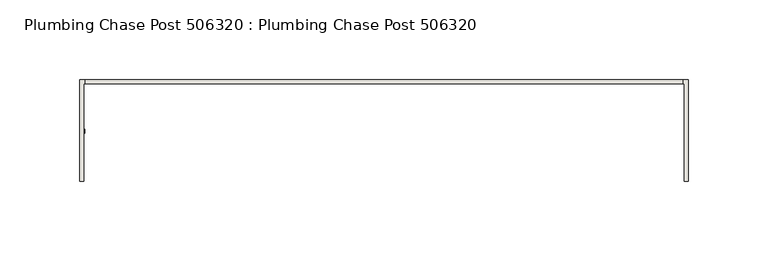
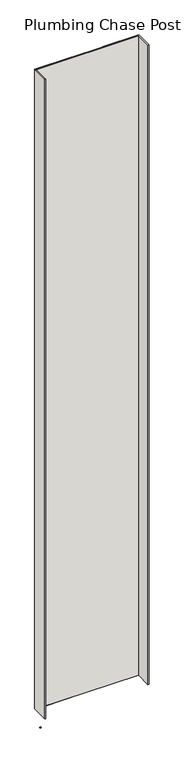
"""IFC4 building model written with IfcOpenShell, lengths in millimetres: wall geometry, Plumbing Chase Post 506320 : Plumbing Chase Post 506320."""

import ifcopenshell
import ifcopenshell.guid

model = None  # the IFC model being written
_history = None  # IfcOwnerHistory: only IFC2X3 demands one
_inside = {}  # id of a spatial element -> (the spatial element, [elements in it])
_under = {}  # id of a project, library or spatial element -> (it, [spatial elements below it])
_declared = {}  # id of a project -> (the project, [libraries it declares])
_typed = {}  # id of a type object -> (the type object, [elements of that type])
_made_of = {}  # id of a material, layer set ... -> (it, [elements and type objects made of it])


def new_model(schema):
    """Start an empty IFC model of exactly this schema.

    Asked for "IFC4X3", IfcOpenShell would pick the latest addendum, in which some entities
    have other attributes; the version numbers below select the first issue.
    IFC2X3 requires an IfcOwnerHistory on every rooted entity: one is made here for all.
    """
    global model, _history
    if schema == "IFC4X3":
        model = ifcopenshell.file(schema_version=(4, 3, 0, 0))
    else:
        model = ifcopenshell.file(schema=schema)
    _inside.clear()
    _under.clear()
    _declared.clear()
    _typed.clear()
    _made_of.clear()
    _history = None
    if model.schema == "IFC2X3":
        org = make("IfcOrganization", Name="unknown")
        user = make(
            "IfcPersonAndOrganization",
            ThePerson=make("IfcPerson", FamilyName="unknown"),
            TheOrganization=org,
        )
        app = make(
            "IfcApplication",
            ApplicationDeveloper=org,
            Version="unknown",
            ApplicationFullName="unknown",
            ApplicationIdentifier="unknown",
        )
        _history = make(
            "IfcOwnerHistory",
            OwningUser=user,
            OwningApplication=app,
            ChangeAction="ADDED",
            CreationDate=0,
        )
    return model


def make(cls, **values):
    """One entity of the class cls with the attributes given. An attribute that is None is left unset."""
    return model.create_entity(
        cls, **{name: value for name, value in values.items() if value is not None}
    )


def rooted(cls, **values):
    """An entity with a GlobalId (a new one), such as an element, a storey or a relation."""
    return make(cls, GlobalId=ifcopenshell.guid.new(), OwnerHistory=_history, **values)


def si_unit(unit_type, name, prefix=None):
    """IfcSIUnit, for example si_unit("LENGTHUNIT", "METRE", prefix="MILLI")."""
    return make("IfcSIUnit", UnitType=unit_type, Prefix=prefix, Name=name)


def assignment(units):
    """IfcUnitAssignment: the units of a project."""
    return None if units is None else make("IfcUnitAssignment", Units=units)


def point(xyz):
    """IfcCartesianPoint."""
    return None if xyz is None else make("IfcCartesianPoint", Coordinates=xyz)


def direction(xyz):
    """IfcDirection."""
    return None if xyz is None else make("IfcDirection", DirectionRatios=xyz)


def frame(location, z_axis=None, x_axis=None):
    """IfcAxis2Placement3D, a coordinate frame: its origin and axes. An axis left out is left unset."""
    return make(
        "IfcAxis2Placement3D",
        Location=point(location),
        Axis=direction(z_axis),
        RefDirection=direction(x_axis),
    )


def origin():
    """The frame at (0, 0, 0) with its axes left unset."""
    return frame((0.0, 0.0, 0.0))


def place(relative_to, where):
    """IfcLocalPlacement: puts the frame where relative to a parent placement (None: the world)."""
    return make(
        "IfcLocalPlacement", PlacementRelTo=relative_to, RelativePlacement=where
    )


def context(
    kind, dimensions, precision=None, world=None, true_north=None, identifier=None
):
    """IfcGeometricRepresentationContext, for example the 3D "Model" context."""
    return make(
        "IfcGeometricRepresentationContext",
        ContextIdentifier=identifier,
        ContextType=kind,
        CoordinateSpaceDimension=dimensions,
        Precision=precision,
        WorldCoordinateSystem=world,
        TrueNorth=true_north,
    )


def project(units=None, contexts=None):
    """IfcProject with its units and contexts."""
    return rooted(
        "IfcProject",
        Name="project",
        RepresentationContexts=contexts,
        UnitsInContext=assignment(units),
    )


def spatial(cls, under=None, at=None, **own):
    """A site, building, storey or space (cls), placed at a placement, below another one or the project."""
    s = rooted(cls, ObjectPlacement=at, **own)
    if under is not None:
        _under.setdefault(under.id(), (under, []))[1].append(s)
    return s


def polyline(points):
    """IfcPolyline through the points."""
    return make("IfcPolyline", Points=[point(p) for p in points])


def outline(outer, holes=None, kind="AREA"):
    """IfcArbitraryClosedProfileDef: a profile drawn as a closed curve; with holes, ...WithVoids."""
    if holes is None:
        return make("IfcArbitraryClosedProfileDef", ProfileType=kind, OuterCurve=outer)
    return make(
        "IfcArbitraryProfileDefWithVoids",
        ProfileType=kind,
        OuterCurve=outer,
        InnerCurves=holes,
    )


def extrude(swept, where, along, depth):
    """IfcExtrudedAreaSolid: the profile swept, set in the frame where, extruded along a direction by depth."""
    return make(
        "IfcExtrudedAreaSolid",
        SweptArea=swept,
        Position=where,
        ExtrudedDirection=direction(along),
        Depth=depth,
    )


def shape(context_of_items, identifier, shape_type, items):
    """IfcShapeRepresentation: the items that make up one representation, for example the "Body"."""
    return make(
        "IfcShapeRepresentation",
        ContextOfItems=context_of_items,
        RepresentationIdentifier=identifier,
        RepresentationType=shape_type,
        Items=items,
    )


def source(mapping_origin, context_of_items, identifier, shape_type, items):
    """IfcRepresentationMap: a shape defined once, which mapped items show again and again."""
    return make(
        "IfcRepresentationMap",
        MappingOrigin=mapping_origin,
        MappedRepresentation=shape(context_of_items, identifier, shape_type, items),
    )


def transform(
    local_origin,
    x_axis=None,
    y_axis=None,
    z_axis=None,
    scale=None,
    scale2=None,
    scale3=None,
    uniform=True,
):
    """IfcCartesianTransformationOperator3D, or its non-uniform kind. x_axis, y_axis, z_axis: its Axis1, 2, 3."""
    if uniform:
        return make(
            "IfcCartesianTransformationOperator3D",
            Axis1=direction(x_axis),
            Axis2=direction(y_axis),
            LocalOrigin=point(local_origin),
            Scale=scale,
            Axis3=direction(z_axis),
        )
    return make(
        "IfcCartesianTransformationOperator3DnonUniform",
        Axis1=direction(x_axis),
        Axis2=direction(y_axis),
        LocalOrigin=point(local_origin),
        Scale=scale,
        Axis3=direction(z_axis),
        Scale2=scale2,
        Scale3=scale3,
    )


def mapped(mapping_source, mapping_target):
    """IfcMappedItem: shows the shape of a source again, moved by a transform."""
    return make(
        "IfcMappedItem", MappingSource=mapping_source, MappingTarget=mapping_target
    )


def made_of(thing, what):
    """Note that an element or type object is made of a material, layer set ...; save() writes the relation."""
    if what is not None:
        _made_of.setdefault(what.id(), (what, []))[1].append(thing)
    return thing


def element(
    cls,
    number,
    at=None,
    inside=None,
    cuts=None,
    type_object=None,
    material=None,
    context=None,
    identifier="Body",
    shape_type=None,
    held_by="IfcProductDefinitionShape",
    body=None,
    shapes=None,
    **own,
):
    """One element of the class cls, such as IfcWall. Its Tag is "e" and its number.

    at: its placement. inside: the storey or other place that contains it. cuts: it is an
    opening in that element (IfcRelVoidsElement). A single representation is given by context,
    identifier, shape_type and body (its items); several are given by shapes. held_by: the class
    of the entity that holds the representations. save() writes the other relations.
    """
    e = rooted(cls, Tag="e%d" % number, ObjectPlacement=at, **own)
    if body is not None:
        shapes = [shape(context, identifier, shape_type, body)]
    if shapes is not None:
        e.Representation = make(held_by, Representations=shapes)
    if inside is not None:
        _inside.setdefault(inside.id(), (inside, []))[1].append(e)
    if cuts is not None:
        rooted(
            "IfcRelVoidsElement", RelatingBuildingElement=cuts, RelatedOpeningElement=e
        )
    if type_object is not None:
        _typed.setdefault(type_object.id(), (type_object, []))[1].append(e)
    return made_of(e, material)


def aggregate(whole, parts):
    """IfcRelAggregates: a whole, such as a stair, and the parts it consists of."""
    return rooted("IfcRelAggregates", RelatingObject=whole, RelatedObjects=parts)


def save(model, path):
    """Write the relations noted so far, then the file.

    IfcRelAggregates (storeys below a building ...), IfcRelContainedInSpatialStructure (elements
    in a storey), IfcRelDefinesByType, IfcRelAssociatesMaterial and IfcRelDeclares: one each for
    every whole, place, type object, material and project.
    """
    for whole, parts in _under.values():
        aggregate(whole, parts)
    for where, things in _inside.values():
        rooted(
            "IfcRelContainedInSpatialStructure",
            RelatedElements=things,
            RelatingStructure=where,
        )
    for kind, things in _typed.values():
        rooted("IfcRelDefinesByType", RelatedObjects=things, RelatingType=kind)
    for what, things in _made_of.values():
        rooted("IfcRelAssociatesMaterial", RelatedObjects=things, RelatingMaterial=what)
    for by, libraries in _declared.values():
        rooted("IfcRelDeclares", RelatingContext=by, RelatedDefinitions=libraries)
    model.write(path)


def plumbing_chase_post_506320_plumbing_chase_post_506320_cdc37d98(model_context):
    return source(origin(), model_context, "Body", "SweptSolid", [
        extrude(outline(polyline([(53147.055504, -53342.677668), (53144.515504, -53342.677668), (53144.515504, -53340.137668), (53147.055504, -53340.137668), (53147.055504, -53342.677668)])), frame((0.0, 0.0, 4419.6), z_axis=(0.0, 0.0, 1.0), x_axis=(1.0, 0.0, 0.0)), (0.0, 0.0, 1.0), 2.54),
        extrude(outline(polyline([(53147.2117648, -53309.3910188), (53522.8291492, -53309.3910188), (53522.8291492, -53312.0575108), (53147.2117648, -53312.0575108), (53147.2117648, -53309.3910188)])), frame((0.0, 0.0, 4474.8958), z_axis=(0.0, 0.0, 1.0), x_axis=(1.0, 0.0, 0.0)), (0.0, 0.0, 1.0), 2481.1482254),
        extrude(outline(polyline([(53147.2117648, -53309.3910188), (53522.8291492, -53309.3910188), (53522.8291492, -53312.0575108), (53147.2117648, -53312.0575108), (53147.2117648, -53309.3910188)])), frame((0.0, 0.0, 4474.8958), z_axis=(0.0, 0.0, 1.0), x_axis=(1.0, 0.0, 0.0)), (0.0, 0.0, 1.0), 2481.1482254),
        extrude(outline(polyline([(53143.7577204, -53309.3910188), (53277.1077204, -53309.3910188), (53277.1077204, -53312.0575108), (53146.4242124, -53312.0575108), (53146.4242124, -53373.3995014), (53143.7577204, -53373.3995014), (53143.7577204, -53309.3910188)])), frame((0.0, 0.0, 4474.8958), z_axis=(0.0, 0.0, 1.0), x_axis=(1.0, 0.0, 0.0)), (0.0, 0.0, 1.0), 2481.1482254),
        extrude(outline(polyline([(53143.7577204, -53309.3910188), (53277.1077204, -53309.3910188), (53277.1077204, -53312.0575108), (53146.4242124, -53312.0575108), (53146.4242124, -53373.3995014), (53143.7577204, -53373.3995014), (53143.7577204, -53309.3910188)])), frame((0.0, 0.0, 4474.8958), z_axis=(0.0, 0.0, 1.0), x_axis=(1.0, 0.0, 0.0)), (0.0, 0.0, 1.0), 2481.1482254),
        extrude(outline(polyline([(53392.9084032, -53312.0575108), (53392.9084032, -53309.3910188), (53526.2584032, -53309.3910188), (53526.2584032, -53373.3995014), (53523.5918858, -53373.3995014), (53523.6167016, -53312.0575108), (53392.9084032, -53312.0575108)])), frame((0.0, 0.0, 4474.8958), z_axis=(0.0, 0.0, 1.0), x_axis=(1.0, 0.0, 0.0)), (0.0, 0.0, 1.0), 2481.1482254),
        extrude(outline(polyline([(53392.9084032, -53312.0575108), (53392.9084032, -53309.3910188), (53526.2584032, -53309.3910188), (53526.2584032, -53373.3995014), (53523.5918858, -53373.3995014), (53523.6167016, -53312.0575108), (53392.9084032, -53312.0575108)])), frame((0.0, 0.0, 4474.8958), z_axis=(0.0, 0.0, 1.0), x_axis=(1.0, 0.0, 0.0)), (0.0, 0.0, 1.0), 2481.1482254),
    ])


if __name__ == "__main__":
    model = new_model("IFC4")
    model_context = context("Model", 3, world=origin())
    ifc_project = project(units=[si_unit("LENGTHUNIT", "METRE", prefix="MILLI")], contexts=[model_context])
    site = spatial("IfcSite", under=ifc_project)
    building = spatial("IfcBuilding", under=site)
    placement = place(None, origin())
    plumbing_chase_post_506320_plumbing_chase_post_506320_shape = plumbing_chase_post_506320_plumbing_chase_post_506320_cdc37d98(model_context)
    element("IfcWall", 1, ObjectType="Plumbing Chase Post 506320 : Plumbing Chase Post 506320", at=placement, inside=building, context=model_context, shape_type="MappedRepresentation", body=[
        mapped(plumbing_chase_post_506320_plumbing_chase_post_506320_shape, transform((0.0, 0.0, 0.0), x_axis=(1.0, 0.0, 0.0), y_axis=(0.0, 1.0, 0.0), z_axis=(0.0, 0.0, 1.0))),
    ])
    save(model, "model.ifc")
